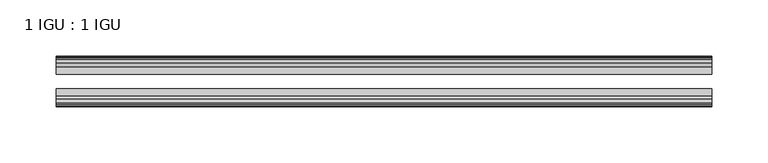
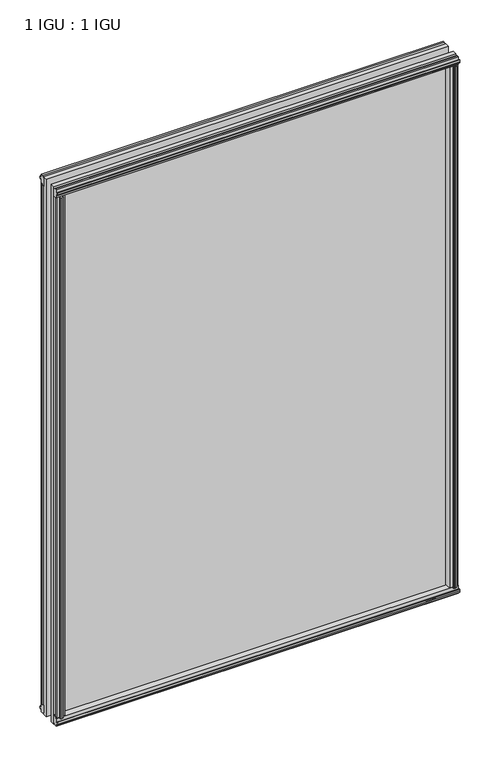
"""IFC4 building model written with IfcOpenShell, lengths in millimetres: plate geometry, 1 IGU : 1 IGU."""

from ifc_helpers import new_model, si_unit, frame, origin, origin_with_axes, place, context, project, spatial, polyline, outline, extrude, source, transform, mapped, element, save


def plate_1_igu_1_igu_06269be1(model_context):
    return source(origin(), model_context, "Body", "SweptSolid", [
        extrude(outline(polyline([(277.8142137, -19.5460937), (279.9194908, -13.1960937), (285.1266852, -13.1960937), (285.5076852, -10.8158968), (284.0921562, -11.27583), (284.0921562, -10.4746158), (286.2696852, -9.7670937), (288.4472143, -10.4746158), (288.4472143, -11.27583), (287.0316852, -10.8158968), (287.4126852, -13.1960937), (291.8576852, -13.1960937), (291.8576852, -16.1419073), (289.6446077, -19.5460937), (277.8142137, -19.5460937)])), origin_with_axes(), (0.0, 0.0, 1.0), 800.1),
        extrude(outline(polyline([(-277.8142137, -19.5460937), (-289.6446077, -19.5460937), (-291.8576852, -16.1419073), (-291.8576852, -13.1960937), (-287.4126852, -13.1960937), (-287.0316852, -10.8158968), (-288.4472143, -11.27583), (-288.4472143, -10.4746158), (-286.2696852, -9.7670937), (-284.0921562, -10.4746158), (-284.0921562, -11.27583), (-285.5076852, -10.8158968), (-285.1266852, -13.1960937), (-279.9194908, -13.1960937), (-277.8142137, -19.5460937)])), origin_with_axes(), (0.0, 0.0, 1.0), 800.1),
        extrude(outline(polyline([(-16.1419073, -12.4576852), (-19.5460937, -10.2446077), (-19.5460937, 1.5857863), (-13.1960937, -0.5194908), (-13.1960937, -5.7266852), (-10.8158968, -6.1076852), (-11.27583, -4.6921562), (-10.4746158, -4.6921562), (-9.7670937, -6.8696852), (-10.4746158, -9.0472143), (-11.27583, -9.0472143), (-10.8158968, -7.6316852), (-13.1960937, -8.0126852), (-13.1960937, -12.4576852), (-16.1419073, -12.4576852)])), frame((-292.1, 0.0, 0.0), z_axis=(1.0, 0.0, 0.0), x_axis=(0.0, 1.0, 0.0)), (0.0, 0.0, 1.0), 584.2),
        extrude(outline(polyline([(-48.3502802, -11.938), (-51.2960937, -11.938), (-51.2960937, -7.493), (-53.6762907, -7.112), (-53.2163575, -8.5275291), (-54.0175717, -8.5275291), (-54.7250937, -6.35), (-54.0175717, -4.172471), (-53.2163575, -4.172471), (-53.6762907, -5.588), (-51.2960937, -5.207), (-51.2960937, 0.0001944), (-44.9460937, 2.1054715), (-44.9460937, -9.7249225), (-48.3502802, -11.938)])), frame((-292.1, 0.0, 0.0), z_axis=(1.0, 0.0, 0.0), x_axis=(0.0, 1.0, 0.0)), (0.0, 0.0, 1.0), 584.2),
        extrude(outline(polyline([(-16.1028367, 812.5576852), (-13.1960937, 812.5576852), (-13.1960937, 808.1126852), (-10.8158968, 807.7316852), (-11.27583, 809.1472143), (-10.4746158, 809.1472143), (-9.7670937, 806.9696852), (-10.4746158, 804.7921562), (-11.27583, 804.7921562), (-10.8158968, 806.2076852), (-13.1960937, 805.8266852), (-13.1960937, 800.5940908), (-19.5460937, 798.4888137), (-19.5460937, 810.3192077), (-16.1028367, 812.5576852)])), frame((-292.1, 0.0, 0.0), z_axis=(1.0, 0.0, 0.0), x_axis=(0.0, 1.0, 0.0)), (0.0, 0.0, 1.0), 584.2),
        extrude(outline(polyline([(-48.3893508, 812.0126), (-44.9460937, 809.7741225), (-44.9460937, 797.9437285), (-51.2960937, 800.0490056), (-51.2960937, 805.2816), (-53.6762907, 805.6626), (-53.2163575, 804.2470709), (-54.0175717, 804.2470709), (-54.7250938, 806.4246), (-54.0175717, 808.602129), (-53.2163575, 808.602129), (-53.6762907, 807.1866), (-51.2960937, 807.5676), (-51.2960937, 812.0126), (-48.3893508, 812.0126)])), frame((-292.1, 0.0, 0.0), z_axis=(1.0, 0.0, 0.0), x_axis=(0.0, 1.0, 0.0)), (0.0, 0.0, 1.0), 584.2),
        extrude(outline(polyline([(-277.2945285, -44.9460938), (-279.3998056, -51.2960938), (-284.607, -51.2960938), (-284.988, -53.6762907), (-283.572471, -53.2163575), (-283.572471, -54.0175717), (-285.75, -54.7250938), (-287.9275291, -54.0175717), (-287.9275291, -53.2163575), (-286.512, -53.6762907), (-286.893, -51.2960938), (-291.338, -51.2960938), (-291.338, -48.3502802), (-289.1249225, -44.9460938), (-277.2945285, -44.9460938)])), origin_with_axes(), (0.0, 0.0, 1.0), 800.1),
        extrude(outline(polyline([(277.2945285, -44.9460938), (289.1249225, -44.9460938), (291.338, -48.3502802), (291.338, -51.2960938), (286.893, -51.2960938), (286.512, -53.6762907), (287.9275291, -53.2163575), (287.9275291, -54.0175717), (285.75, -54.7250938), (283.572471, -54.0175717), (283.572471, -53.2163575), (284.988, -53.6762907), (284.607, -51.2960938), (279.3998056, -51.2960938), (277.2945285, -44.9460938)])), origin_with_axes(), (0.0, 0.0, 1.0), 800.1),
        extrude(outline(polyline([(292.1, -19.5460937), (292.1, -25.8337453), (-292.1, -25.8337453), (-292.1, -19.5460937), (292.1, -19.5460937)])), frame((0.0, 0.0, -12.7), z_axis=(0.0, 0.0, 1.0), x_axis=(1.0, 0.0, 0.0)), (0.0, 0.0, 1.0), 825.4872998),
        extrude(outline(polyline([(-292.1, -44.9460937), (-292.1, -38.6468938), (292.1, -38.6468938), (292.1, -44.9460937), (-292.1, -44.9460937)])), frame((0.0, 0.0, -12.7), z_axis=(0.0, 0.0, 1.0), x_axis=(1.0, 0.0, 0.0)), (0.0, 0.0, 1.0), 825.4872998),
    ])


if __name__ == "__main__":
    model = new_model("IFC4")
    model_context = context("Model", 3, world=origin())
    ifc_project = project(units=[si_unit("LENGTHUNIT", "METRE", prefix="MILLI")], contexts=[model_context])
    site = spatial("IfcSite", under=ifc_project)
    building = spatial("IfcBuilding", under=site)
    placement = place(None, origin())
    plate_1_igu_1_igu_shape = plate_1_igu_1_igu_06269be1(model_context)
    element("IfcPlate", 1, ObjectType="1 IGU : 1 IGU", at=placement, inside=building, context=model_context, shape_type="MappedRepresentation", body=[
        mapped(plate_1_igu_1_igu_shape, transform((0.0, 0.0, 0.0), x_axis=(1.0, 0.0, 0.0), y_axis=(0.0, 1.0, 0.0), z_axis=(0.0, 0.0, 1.0))),
    ])
    save(model, "model.ifc")
